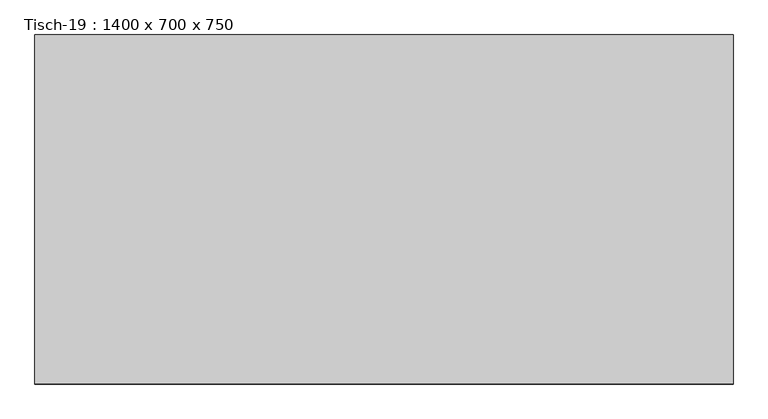
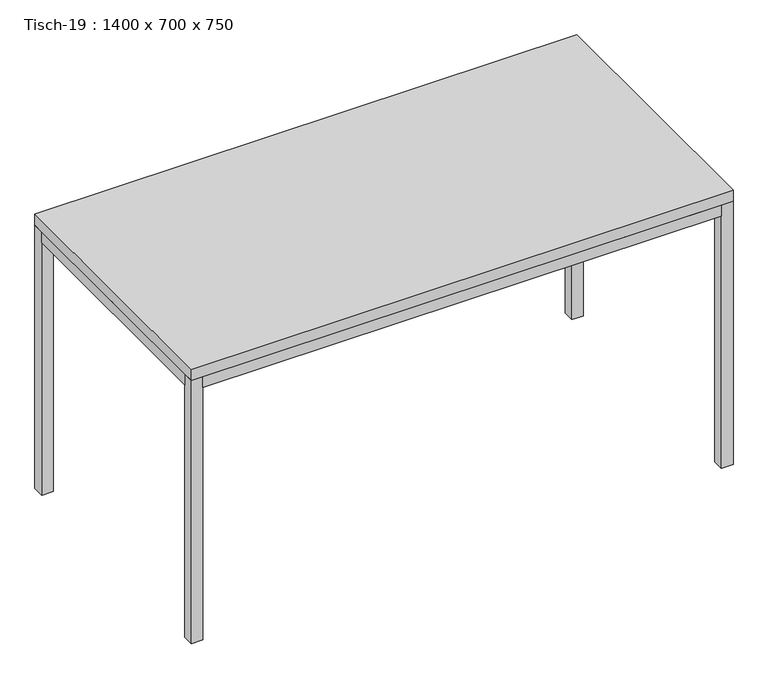
"""IFC4 building model written with IfcOpenShell, lengths in millimetres: furniture geometry, Tisch-19 : 1400 x 700 x 750."""

from ifc_helpers import new_model, si_unit, frame, origin, origin_with_axes, place, context, project, spatial, polyline, outline, extrude, source, transform, mapped, element, save


def tisch_19_1400_x_700_x_750_7db66ae8(model_context):
    return source(origin(), model_context, "Body", "SweptSolid", [
        extrude(outline(polyline([(-186.564671, -350.0), (-1586.564671, -350.0), (-1586.564671, 350.0), (-186.564671, 350.0), (-186.564671, -350.0)])), frame((0.0, 0.0, 720.0), z_axis=(0.0, 0.0, 1.0), x_axis=(1.0, 0.0, 0.0)), (0.0, 0.0, 1.0), 30.0),
        extrude(outline(polyline([(-216.564671, -350.0), (-1556.564671, -350.0), (-1556.564671, -320.0), (-216.564671, -320.0), (-216.564671, -350.0)])), frame((0.0, 0.0, 690.0), z_axis=(0.0, 0.0, 1.0), x_axis=(1.0, 0.0, 0.0)), (0.0, 0.0, 1.0), 30.0),
        extrude(outline(polyline([(-216.564671, 350.0), (-216.564671, 320.0), (-1556.564671, 320.0), (-1556.564671, 350.0), (-216.564671, 350.0)])), frame((0.0, 0.0, 690.0), z_axis=(0.0, 0.0, 1.0), x_axis=(1.0, 0.0, 0.0)), (0.0, 0.0, 1.0), 30.0),
        extrude(outline(polyline([(-1556.564671, -320.0), (-1586.564671, -320.0), (-1586.564671, 320.0), (-1556.564671, 320.0), (-1556.564671, -320.0)])), frame((0.0, 0.0, 690.0), z_axis=(0.0, 0.0, 1.0), x_axis=(1.0, 0.0, 0.0)), (0.0, 0.0, 1.0), 30.0),
        extrude(outline(polyline([(-216.564671, -320.0), (-216.564671, 320.0), (-186.564671, 320.0), (-186.564671, -320.0), (-216.564671, -320.0)])), frame((0.0, 0.0, 690.0), z_axis=(0.0, 0.0, 1.0), x_axis=(1.0, 0.0, 0.0)), (0.0, 0.0, 1.0), 30.0),
        extrude(outline(polyline([(-1556.564671, -350.0), (-1586.564671, -350.0), (-1586.564671, -320.0), (-1556.564671, -320.0), (-1556.564671, -350.0)])), origin_with_axes(), (0.0, 0.0, 1.0), 720.0),
        extrude(outline(polyline([(-1556.564671, 350.0), (-1556.564671, 320.0), (-1586.564671, 320.0), (-1586.564671, 350.0), (-1556.564671, 350.0)])), origin_with_axes(), (0.0, 0.0, 1.0), 720.0),
        extrude(outline(polyline([(-216.564671, -350.0), (-216.564671, -320.0), (-186.564671, -320.0), (-186.564671, -350.0), (-216.564671, -350.0)])), origin_with_axes(), (0.0, 0.0, 1.0), 720.0),
        extrude(outline(polyline([(-216.564671, 350.0), (-186.564671, 350.0), (-186.564671, 320.0), (-216.564671, 320.0), (-216.564671, 350.0)])), origin_with_axes(), (0.0, 0.0, 1.0), 720.0),
    ])


if __name__ == "__main__":
    model = new_model("IFC4")
    model_context = context("Model", 3, world=origin())
    ifc_project = project(units=[si_unit("LENGTHUNIT", "METRE", prefix="MILLI")], contexts=[model_context])
    site = spatial("IfcSite", under=ifc_project)
    building = spatial("IfcBuilding", under=site)
    placement = place(None, origin())
    tisch_19_1400_x_700_x_750_shape = tisch_19_1400_x_700_x_750_7db66ae8(model_context)
    element("IfcFurniture", 1, ObjectType="Tisch-19 : 1400 x 700 x 750", at=placement, inside=building, context=model_context, shape_type="MappedRepresentation", body=[
        mapped(tisch_19_1400_x_700_x_750_shape, transform((0.0, 0.0, 0.0), x_axis=(1.0, 0.0, 0.0), y_axis=(0.0, 1.0, 0.0), z_axis=(0.0, 0.0, 1.0))),
    ])
    save(model, "model.ifc")
